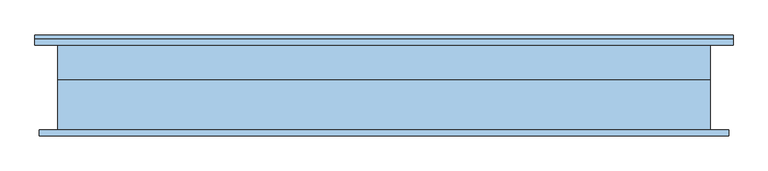
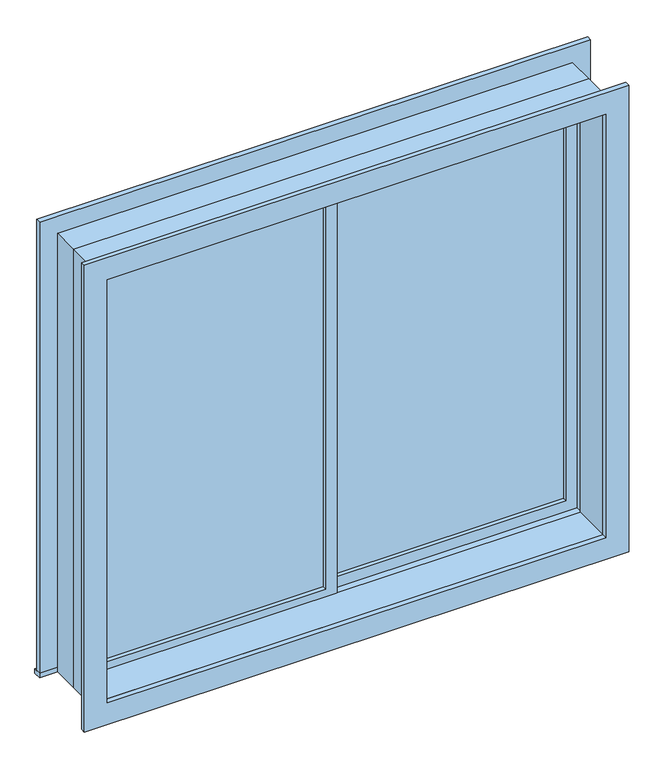
"""IFC4 building model written with IfcOpenShell, lengths in millimetres: window geometry."""

from ifc_helpers import new_model, si_unit, frame, origin, place, context, project, spatial, polyline, outline, extrude, source, transform, mapped, element, save


def window_a7551ff0(model_context):
    return source(origin(), model_context, "Body", "SweptSolid", [
        extrude(outline(polyline([(-936.5, 50.625), (-22.225, 50.625), (-22.225, 37.925), (-936.5, 37.925), (-936.5, 50.625)])), frame((0.0, 0.0, 977.9), z_axis=(0.0, 0.0, 1.0), x_axis=(1.0, 0.0, 0.0)), (0.0, 0.0, 1.0), 1673.0),
        extrude(outline(polyline([(2695.35, -980.95), (933.45, -980.95), (933.45, 22.225), (2695.35, 22.225), (2695.35, -980.95)]), holes=[polyline([(2650.9, -936.5), (2650.9, -22.225), (977.9, -22.225), (977.9, -936.5), (2650.9, -936.5)])]), frame((0.0, 22.05, 0.0), z_axis=(0.0, 1.0, 0.0), x_axis=(0.0, 0.0, 1.0)), (0.0, 0.0, 1.0), 44.45),
        extrude(outline(polyline([(-1069.85, 161.75), (1069.85, 161.75), (1069.85, 130.0), (-1069.85, 130.0), (-1069.85, 161.75)])), frame((0.0, 0.0, 914.4), z_axis=(0.0, 0.0, 1.0), x_axis=(1.0, 0.0, 0.0)), (0.0, 0.0, 1.0), 19.05),
        extrude(outline(polyline([(2695.35, -980.95), (2695.35, 980.95), (933.45, 980.95), (933.45, 1069.85), (2784.25, 1069.85), (2784.25, -1069.85), (933.45, -1069.85), (933.45, -980.95), (2695.35, -980.95)])), frame((0.0, 130.0, 0.0), z_axis=(0.0, 1.0, 0.0), x_axis=(0.0, 0.0, 1.0)), (0.0, 0.0, 1.0), 19.05),
        extrude(outline(polyline([(2771.55, 1057.15), (2771.55, -1057.15), (857.25, -1057.15), (857.25, 1057.15), (2771.55, 1057.15)]), holes=[polyline([(2682.65, 968.25), (946.15, 968.25), (946.15, -968.25), (2682.65, -968.25), (2682.65, 968.25)])]), frame((0.0, -149.05, 0.0), z_axis=(0.0, 1.0, 0.0), x_axis=(0.0, 0.0, 1.0)), (0.0, 0.0, 1.0), 19.05),
        extrude(outline(polyline([(936.5, 82.375), (22.225, 82.375), (22.225, 95.075), (936.5, 95.075), (936.5, 82.375)])), frame((0.0, 0.0, 977.9), z_axis=(0.0, 0.0, 1.0), x_axis=(1.0, 0.0, 0.0)), (0.0, 0.0, 1.0), 1673.0),
        extrude(outline(polyline([(2695.35, -22.225), (933.45, -22.225), (933.45, 980.95), (2695.35, 980.95), (2695.35, -22.225)]), holes=[polyline([(2650.9, 22.225), (2650.9, 936.5), (977.9, 936.5), (977.9, 22.225), (2650.9, 22.225)])]), frame((0.0, 66.5, 0.0), z_axis=(0.0, 1.0, 0.0), x_axis=(0.0, 0.0, 1.0)), (0.0, 0.0, 1.0), 44.45),
        extrude(outline(polyline([(2714.4, -1000.0), (914.4, -1000.0), (914.4, 1000.0), (2714.4, 1000.0), (2714.4, -1000.0)]), holes=[polyline([(2682.65, -968.25), (2682.65, 968.25), (946.15, 968.25), (946.15, -968.25), (2682.65, -968.25)])]), frame((0.0, -130.0, 0.0), z_axis=(0.0, 1.0, 0.0), x_axis=(0.0, 0.0, 1.0)), (0.0, 0.0, 1.0), 152.05),
        extrude(outline(polyline([(2714.4, 1000.0), (2714.4, -1000.0), (914.4, -1000.0), (914.4, 1000.0), (2714.4, 1000.0)]), holes=[polyline([(2695.35, 980.95), (933.45, 980.95), (933.45, -980.95), (2695.35, -980.95), (2695.35, 980.95)])]), frame((0.0, 22.05, 0.0), z_axis=(0.0, 1.0, 0.0), x_axis=(0.0, 0.0, 1.0)), (0.0, 0.0, 1.0), 107.95),
    ])


if __name__ == "__main__":
    model = new_model("IFC4")
    model_context = context("Model", 3, world=origin())
    ifc_project = project(units=[si_unit("LENGTHUNIT", "METRE", prefix="MILLI")], contexts=[model_context])
    site = spatial("IfcSite", under=ifc_project)
    building = spatial("IfcBuilding", under=site)
    placement = place(None, origin())
    window_shape = window_a7551ff0(model_context)
    element("IfcWindow", 1, at=placement, inside=building, context=model_context, shape_type="MappedRepresentation", body=[
        mapped(window_shape, transform((0.0, 0.0, 0.0), x_axis=(1.0, 0.0, 0.0), y_axis=(0.0, 1.0, 0.0), z_axis=(0.0, 0.0, 1.0))),
    ])
    save(model, "model.ifc")
